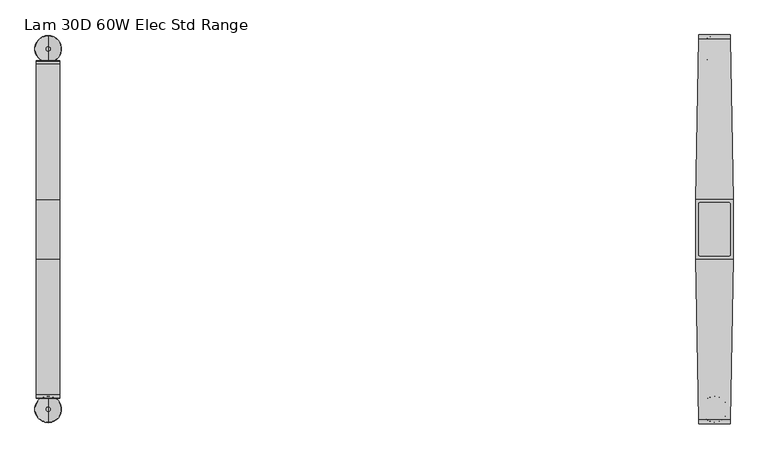
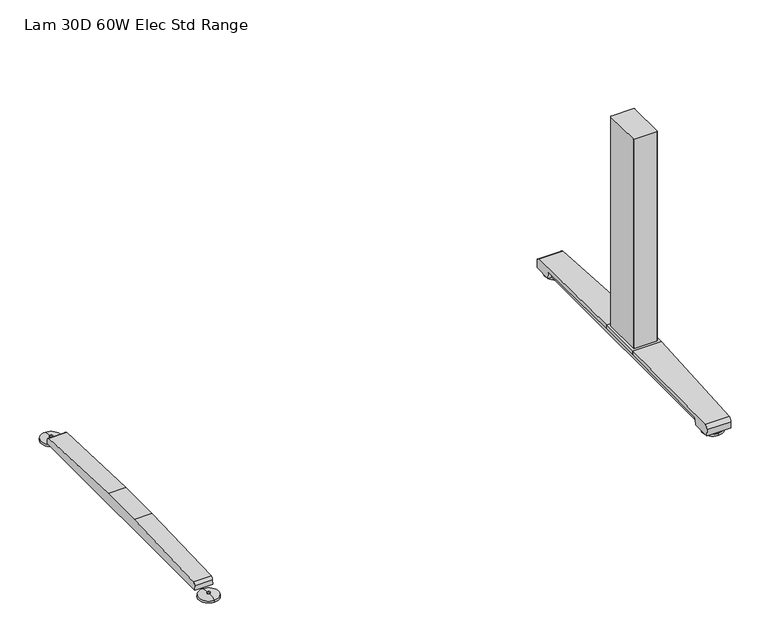
"""IFC4 building model written with IfcOpenShell, lengths in millimetres: furniture geometry, Lam 30D 60W Elec Std Range."""

from ifc_helpers import new_model, si_unit, point, frame, frame_2d, origin, place, context, project, spatial, polyline, circle_curve, ellipse_curve, trimmed, segment, composite_curve, outline, extrude, source, transform, mapped, element, save
from ifc_brep_helpers import plane_surface, cylinder_surface, revolved_surface, advanced_brep


def lam_30d_60w_elec_std_range_70708441(model_context):
    return source(origin(), model_context, "Body", "SolidModel", [
        advanced_brep(
        [(-627.126, 314.8489737, 0.0), (-627.126, 365.038997, 0.0), (-627.126, 339.9439854, 0.0), (-627.126, 314.9336842, 5.0038001), (-627.126, 364.9542866, 5.0038001), (-627.126, 335.9434855, 8.4327997), (-627.126, 343.9444853, 8.4327997), (-627.126, 335.9434855, 10.0423733), (-627.126, 343.9444853, 10.0423733), (-627.126, 339.9439854, 10.0423733)],
        [
            (0, 1, circle_curve(frame((-627.126, 339.9439854, 0.0), z_axis=(0.0, 0.0, -1.0), x_axis=(0.0, 1.0, 0.0)), 25.0950117)),
            (1, 2),
            (2, 0),
            (1, 0, circle_curve(frame((-627.126, 339.9439854, 0.0), z_axis=(0.0, 0.0, -1.0), x_axis=(0.0, 1.0, 0.0)), 25.0950117)),
            (3, 4, circle_curve(frame((-627.126, 339.9439854, 5.0038001), z_axis=(0.0, 0.0, -1.0), x_axis=(0.0, 1.0, 0.0)), 25.0103012)),
            (4, 1),
            (0, 3),
            (4, 3, circle_curve(frame((-627.126, 339.9439854, 5.0038001), z_axis=(0.0, 0.0, -1.0), x_axis=(0.0, 1.0, 0.0)), 25.0103012)),
            (5, 6, circle_curve(frame((-627.126, 339.9439854, 8.4327997), z_axis=(0.0, 0.0, -1.0), x_axis=(0.0, 1.0, 0.0)), 4.0004999)),
            (6, 4, circle_curve(frame((-627.126, 343.9764687, -57.4502444), z_axis=(-1.0, 0.0, 0.0), x_axis=(0.0, 1.0, 0.0)), 65.8830518)),
            (3, 5, circle_curve(frame((-627.126, 335.9115021, -57.4502444), z_axis=(-1.0, 0.0, 0.0), x_axis=(0.0, -1.0, 0.0)), 65.8830518)),
            (6, 5, circle_curve(frame((-627.126, 339.9439854, 8.4327997), z_axis=(0.0, 0.0, -1.0), x_axis=(0.0, 1.0, 0.0)), 4.0004999)),
            (7, 8, circle_curve(frame((-627.126, 339.9439854, 10.0423733), z_axis=(0.0, 0.0, -1.0), x_axis=(0.0, 1.0, 0.0)), 4.0004999)),
            (8, 6),
            (5, 7),
            (8, 7, circle_curve(frame((-627.126, 339.9439854, 10.0423733), z_axis=(0.0, 0.0, -1.0), x_axis=(0.0, 1.0, 0.0)), 4.0004999)),
            (9, 8),
            (7, 9),
        ],
        [
            plane_surface(frame((-627.126, 339.9439854, 0.0), z_axis=(0.0, 0.0, -1.0), x_axis=(0.0, 1.0, 0.0))),
            revolved_surface(polyline([(-627.126, 365.038997, 0.0), (-627.126, 364.9542866, 5.0038001)]), (-627.126, 339.9439854, 0.0), (0.0, 0.0, 1.0)),
            revolved_surface(trimmed(ellipse_curve(frame((-627.126, 343.9764687, -57.4502444), z_axis=(1.0, 0.0, 0.0), x_axis=(0.0, 1.0, 0.0)), 65.8830518, 65.8830518), [point((-627.126, 364.9542866, 5.0038001))], [point((-627.126, 343.9444853, 8.4327997))], True, "CARTESIAN"), (-627.126, 339.9439854, 0.0), (0.0, 0.0, 1.0)),
            cylinder_surface(frame((-627.126, 339.9439854, 0.0), z_axis=(0.0, 0.0, 1.0), x_axis=(0.0, 1.0, 0.0)), 4.0004999),
            plane_surface(frame((-627.126, 339.9439854, 10.0423733), z_axis=(0.0, 0.0, 1.0), x_axis=(0.0, 1.0, 0.0))),
        ],
        [
            (0, [[1, 2, 3]]),
            (0, [[4, -3, -2]]),
            (1, [[5, 6, -1, 7]]),
            (1, [[8, -7, -4, -6]]),
            (2, [[9, 10, -5, 11]]),
            (2, [[12, -11, -8, -10]]),
            (3, [[13, 14, -9, 15]]),
            (3, [[16, -15, -12, -14]]),
            (4, [[17, -13, 18]]),
            (4, [[-18, -16, -17]]),
        ],
    ),
        advanced_brep(
        [(-627.126, -364.1643617, 0.0), (-627.126, -313.9743384, 0.0), (-627.126, -339.06935, 0.0), (-627.126, -364.0796512, 5.0038001), (-627.126, -314.0590489, 5.0038001), (-627.126, -343.0698499, 8.4327997), (-627.126, -335.0688501, 8.4327997), (-627.126, -343.0698499, 10.0423733), (-627.126, -335.0688501, 10.0423733), (-627.126, -339.06935, 10.0423733)],
        [
            (0, 1, circle_curve(frame((-627.126, -339.06935, 0.0), z_axis=(0.0, 0.0, -1.0), x_axis=(0.0, 1.0, 0.0)), 25.0950117)),
            (1, 2),
            (2, 0),
            (1, 0, circle_curve(frame((-627.126, -339.06935, 0.0), z_axis=(0.0, 0.0, -1.0), x_axis=(0.0, 1.0, 0.0)), 25.0950117)),
            (3, 4, circle_curve(frame((-627.126, -339.06935, 5.0038001), z_axis=(0.0, 0.0, -1.0), x_axis=(0.0, 1.0, 0.0)), 25.0103012)),
            (4, 1),
            (0, 3),
            (4, 3, circle_curve(frame((-627.126, -339.06935, 5.0038001), z_axis=(0.0, 0.0, -1.0), x_axis=(0.0, 1.0, 0.0)), 25.0103012)),
            (5, 6, circle_curve(frame((-627.126, -339.06935, 8.4327997), z_axis=(0.0, 0.0, -1.0), x_axis=(0.0, 1.0, 0.0)), 4.0004999)),
            (6, 4, circle_curve(frame((-627.126, -335.0368668, -57.4502444), z_axis=(-1.0, 0.0, 0.0), x_axis=(0.0, 1.0, 0.0)), 65.8830518)),
            (3, 5, circle_curve(frame((-627.126, -343.1018333, -57.4502444), z_axis=(-1.0, 0.0, 0.0), x_axis=(0.0, -1.0, 0.0)), 65.8830518)),
            (6, 5, circle_curve(frame((-627.126, -339.06935, 8.4327997), z_axis=(0.0, 0.0, -1.0), x_axis=(0.0, 1.0, 0.0)), 4.0004999)),
            (7, 8, circle_curve(frame((-627.126, -339.06935, 10.0423733), z_axis=(0.0, 0.0, -1.0), x_axis=(0.0, 1.0, 0.0)), 4.0004999)),
            (8, 6),
            (5, 7),
            (8, 7, circle_curve(frame((-627.126, -339.06935, 10.0423733), z_axis=(0.0, 0.0, -1.0), x_axis=(0.0, 1.0, 0.0)), 4.0004999)),
            (9, 8),
            (7, 9),
        ],
        [
            plane_surface(frame((-627.126, -339.06935, 0.0), z_axis=(0.0, 0.0, -1.0), x_axis=(0.0, 1.0, 0.0))),
            revolved_surface(polyline([(-627.126, -313.9743384, 0.0), (-627.126, -314.0590489, 5.0038001)]), (-627.126, -339.06935, 0.0), (0.0, 0.0, 1.0)),
            revolved_surface(trimmed(ellipse_curve(frame((-627.126, -335.0368668, -57.4502444), z_axis=(1.0, 0.0, 0.0), x_axis=(0.0, 1.0, 0.0)), 65.8830518, 65.8830518), [point((-627.126, -314.0590489, 5.0038001))], [point((-627.126, -335.0688501, 8.4327997))], True, "CARTESIAN"), (-627.126, -339.06935, 0.0), (0.0, 0.0, 1.0)),
            cylinder_surface(frame((-627.126, -339.06935, 0.0), z_axis=(0.0, 0.0, 1.0), x_axis=(0.0, 1.0, 0.0)), 4.0004999),
            plane_surface(frame((-627.126, -339.06935, 10.0423733), z_axis=(0.0, 0.0, 1.0), x_axis=(0.0, 1.0, 0.0))),
        ],
        [
            (0, [[1, 2, 3]]),
            (0, [[4, -3, -2]]),
            (1, [[5, 6, -1, 7]]),
            (1, [[8, -7, -4, -6]]),
            (2, [[9, 10, -5, 11]]),
            (2, [[12, -11, -8, -10]]),
            (3, [[13, 14, -9, 15]]),
            (3, [[16, -15, -12, -14]]),
            (4, [[17, -13, 18]]),
            (4, [[-18, -16, -17]]),
        ],
    ),
        extrude(outline(composite_curve([segment(polyline([(317.3152602, 22.833301), (318.3038309, 11.5339019), (-318.3038309, 11.5339019), (-317.3152602, 22.833301)]), True, "CONTINUOUS"), segment(trimmed(circle_curve(frame_2d((-310.4929906, 22.2364289)), 6.8483297), [point((-317.3152602, 22.833301))], [point((-311.3603185, 29.0296138))], False, "CARTESIAN"), True, "CONTINUOUS"), segment(polyline([(-311.3603185, 29.0296138), (-56.1182127, 38.9541198), (56.1182127, 38.9541198), (311.3603185, 29.0296138)]), True, "CONTINUOUS"), segment(trimmed(circle_curve(frame_2d((310.4929906, 22.2364289)), 6.8483297), [point((311.3603185, 29.0296138))], [point((317.3152602, 22.833301))], False, "CARTESIAN"), True, "CONTINUOUS")], self_intersect=False)), frame((-649.1224, 0.0, 0.0), z_axis=(1.0, 0.0, 0.0), x_axis=(0.0, 1.0, 0.0)), (0.0, 0.0, 1.0), 43.9928),
        extrude(outline(composite_curve([segment(trimmed(circle_curve(frame_2d((654.7021079, 47.6421079)), 2.3323921), [point((654.7021079, 49.9745))], [point((657.0345, 47.6421079))], False, "CARTESIAN"), True, "CONTINUOUS"), segment(polyline([(657.0345, 47.6421079), (657.0345, -47.6421079)]), True, "CONTINUOUS"), segment(trimmed(circle_curve(frame_2d((654.7021079, -47.6421079)), 2.3323921), [point((657.0345, -47.6421079))], [point((654.7021079, -49.9745))], False, "CARTESIAN"), True, "CONTINUOUS"), segment(polyline([(654.7021079, -49.9745), (599.5498921, -49.9745)]), True, "CONTINUOUS"), segment(trimmed(circle_curve(frame_2d((599.5498921, -47.6421079)), 2.3323921), [point((599.5498921, -49.9745))], [point((597.2175, -47.6421079))], False, "CARTESIAN"), True, "CONTINUOUS"), segment(polyline([(597.2175, -47.6421079), (597.2175, 47.6421079)]), True, "CONTINUOUS"), segment(trimmed(circle_curve(frame_2d((599.5498921, 47.6421079)), 2.3323921), [point((597.2175, 47.6421079))], [point((599.5498921, 49.9745))], False, "CARTESIAN"), True, "CONTINUOUS"), segment(polyline([(599.5498921, 49.9745), (654.7021079, 49.9745)]), True, "CONTINUOUS")], self_intersect=False)), frame((0.0, 0.0, 48.10013), z_axis=(0.0, 0.0, 1.0), x_axis=(1.0, 0.0, 0.0)), (0.0, 0.0, 1.0), 550.9989485),
        advanced_brep(
        [(627.126, 314.8489737, 0.0), (627.126, 365.038997, 0.0), (627.126, 339.9439854, 0.0), (627.126, 314.9336842, 5.0038001), (627.126, 364.9542866, 5.0038001), (627.126, 335.9434855, 8.4327997), (627.126, 343.9444853, 8.4327997), (627.126, 335.9434855, 10.0423733), (627.126, 343.9444853, 10.0423733), (627.126, 339.9439854, 10.0423733)],
        [
            (0, 1, circle_curve(frame((627.126, 339.9439854, 0.0), z_axis=(0.0, 0.0, -1.0), x_axis=(0.0, 1.0, 0.0)), 25.0950117)),
            (1, 2),
            (2, 0),
            (1, 0, circle_curve(frame((627.126, 339.9439854, 0.0), z_axis=(0.0, 0.0, -1.0), x_axis=(0.0, 1.0, 0.0)), 25.0950117)),
            (3, 4, circle_curve(frame((627.126, 339.9439854, 5.0038001), z_axis=(0.0, 0.0, -1.0), x_axis=(0.0, 1.0, 0.0)), 25.0103012)),
            (4, 1),
            (0, 3),
            (4, 3, circle_curve(frame((627.126, 339.9439854, 5.0038001), z_axis=(0.0, 0.0, -1.0), x_axis=(0.0, 1.0, 0.0)), 25.0103012)),
            (5, 6, circle_curve(frame((627.126, 339.9439854, 8.4327997), z_axis=(0.0, 0.0, -1.0), x_axis=(0.0, 1.0, 0.0)), 4.0004999)),
            (6, 4, circle_curve(frame((627.126, 343.9764687, -57.4502444), z_axis=(-1.0, 0.0, 0.0), x_axis=(0.0, 1.0, 0.0)), 65.8830518)),
            (3, 5, circle_curve(frame((627.126, 335.9115021, -57.4502444), z_axis=(-1.0, 0.0, 0.0), x_axis=(0.0, -1.0, 0.0)), 65.8830518)),
            (6, 5, circle_curve(frame((627.126, 339.9439854, 8.4327997), z_axis=(0.0, 0.0, -1.0), x_axis=(0.0, 1.0, 0.0)), 4.0004999)),
            (7, 8, circle_curve(frame((627.126, 339.9439854, 10.0423733), z_axis=(0.0, 0.0, -1.0), x_axis=(0.0, 1.0, 0.0)), 4.0004999)),
            (8, 6),
            (5, 7),
            (8, 7, circle_curve(frame((627.126, 339.9439854, 10.0423733), z_axis=(0.0, 0.0, -1.0), x_axis=(0.0, 1.0, 0.0)), 4.0004999)),
            (9, 8),
            (7, 9),
        ],
        [
            plane_surface(frame((627.126, 339.9439854, 0.0), z_axis=(0.0, 0.0, -1.0), x_axis=(0.0, 1.0, 0.0))),
            revolved_surface(polyline([(627.126, 365.038997, 0.0), (627.126, 364.9542866, 5.0038001)]), (627.126, 339.9439854, 0.0), (0.0, 0.0, 1.0)),
            revolved_surface(trimmed(ellipse_curve(frame((627.126, 343.9764687, -57.4502444), z_axis=(1.0, 0.0, 0.0), x_axis=(0.0, 1.0, 0.0)), 65.8830518, 65.8830518), [point((627.126, 364.9542866, 5.0038001))], [point((627.126, 343.9444853, 8.4327997))], True, "CARTESIAN"), (627.126, 339.9439854, 0.0), (0.0, 0.0, 1.0)),
            cylinder_surface(frame((627.126, 339.9439854, 0.0), z_axis=(0.0, 0.0, 1.0), x_axis=(0.0, 1.0, 0.0)), 4.0004999),
            plane_surface(frame((627.126, 339.9439854, 10.0423733), z_axis=(0.0, 0.0, 1.0), x_axis=(0.0, 1.0, 0.0))),
        ],
        [
            (0, [[1, 2, 3]]),
            (0, [[4, -3, -2]]),
            (1, [[5, 6, -1, 7]]),
            (1, [[8, -7, -4, -6]]),
            (2, [[9, 10, -5, 11]]),
            (2, [[12, -11, -8, -10]]),
            (3, [[13, 14, -9, 15]]),
            (3, [[16, -15, -12, -14]]),
            (4, [[17, -13, 18]]),
            (4, [[-18, -16, -17]]),
        ],
    ),
        advanced_brep(
        [(627.126, -364.1643617, 0.0), (627.126, -313.9743384, 0.0), (627.126, -339.06935, 0.0), (627.126, -364.0796512, 5.0038001), (627.126, -314.0590489, 5.0038001), (627.126, -343.0698499, 8.4327997), (627.126, -335.0688501, 8.4327997), (627.126, -343.0698499, 10.0423733), (627.126, -335.0688501, 10.0423733), (627.126, -339.06935, 10.0423733)],
        [
            (0, 1, circle_curve(frame((627.126, -339.06935, 0.0), z_axis=(0.0, 0.0, -1.0), x_axis=(0.0, 1.0, 0.0)), 25.0950117)),
            (1, 2),
            (2, 0),
            (1, 0, circle_curve(frame((627.126, -339.06935, 0.0), z_axis=(0.0, 0.0, -1.0), x_axis=(0.0, 1.0, 0.0)), 25.0950117)),
            (3, 4, circle_curve(frame((627.126, -339.06935, 5.0038001), z_axis=(0.0, 0.0, -1.0), x_axis=(0.0, 1.0, 0.0)), 25.0103012)),
            (4, 1),
            (0, 3),
            (4, 3, circle_curve(frame((627.126, -339.06935, 5.0038001), z_axis=(0.0, 0.0, -1.0), x_axis=(0.0, 1.0, 0.0)), 25.0103012)),
            (5, 6, circle_curve(frame((627.126, -339.06935, 8.4327997), z_axis=(0.0, 0.0, -1.0), x_axis=(0.0, 1.0, 0.0)), 4.0004999)),
            (6, 4, circle_curve(frame((627.126, -335.0368668, -57.4502444), z_axis=(-1.0, 0.0, 0.0), x_axis=(0.0, 1.0, 0.0)), 65.8830518)),
            (3, 5, circle_curve(frame((627.126, -343.1018333, -57.4502444), z_axis=(-1.0, 0.0, 0.0), x_axis=(0.0, -1.0, 0.0)), 65.8830518)),
            (6, 5, circle_curve(frame((627.126, -339.06935, 8.4327997), z_axis=(0.0, 0.0, -1.0), x_axis=(0.0, 1.0, 0.0)), 4.0004999)),
            (7, 8, circle_curve(frame((627.126, -339.06935, 10.0423733), z_axis=(0.0, 0.0, -1.0), x_axis=(0.0, 1.0, 0.0)), 4.0004999)),
            (8, 6),
            (5, 7),
            (8, 7, circle_curve(frame((627.126, -339.06935, 10.0423733), z_axis=(0.0, 0.0, -1.0), x_axis=(0.0, 1.0, 0.0)), 4.0004999)),
            (9, 8),
            (7, 9),
        ],
        [
            plane_surface(frame((627.126, -339.06935, 0.0), z_axis=(0.0, 0.0, -1.0), x_axis=(0.0, 1.0, 0.0))),
            revolved_surface(polyline([(627.126, -313.9743384, 0.0), (627.126, -314.0590489, 5.0038001)]), (627.126, -339.06935, 0.0), (0.0, 0.0, 1.0)),
            revolved_surface(trimmed(ellipse_curve(frame((627.126, -335.0368668, -57.4502444), z_axis=(1.0, 0.0, 0.0), x_axis=(0.0, 1.0, 0.0)), 65.8830518, 65.8830518), [point((627.126, -314.0590489, 5.0038001))], [point((627.126, -335.0688501, 8.4327997))], True, "CARTESIAN"), (627.126, -339.06935, 0.0), (0.0, 0.0, 1.0)),
            cylinder_surface(frame((627.126, -339.06935, 0.0), z_axis=(0.0, 0.0, 1.0), x_axis=(0.0, 1.0, 0.0)), 4.0004999),
            plane_surface(frame((627.126, -339.06935, 10.0423733), z_axis=(0.0, 0.0, 1.0), x_axis=(0.0, 1.0, 0.0))),
        ],
        [
            (0, [[1, 2, 3]]),
            (0, [[4, -3, -2]]),
            (1, [[5, 6, -1, 7]]),
            (1, [[8, -7, -4, -6]]),
            (2, [[9, 10, -5, 11]]),
            (2, [[12, -11, -8, -10]]),
            (3, [[13, 14, -9, 15]]),
            (3, [[16, -15, -12, -14]]),
            (4, [[17, -13, 18]]),
            (4, [[-18, -16, -17]]),
        ],
    ),
        extrude(outline(polyline([(662.2568382, 56.1182127), (662.2568382, -56.1182127), (591.9951618, -56.1182127), (591.9951618, 56.1182127), (662.2568382, 56.1182127)])), frame((0.0, 0.0, 38.9541198), z_axis=(0.0, 0.0, 1.0), x_axis=(1.0, 0.0, 0.0)), (0.0, 0.0, 1.0), 9.1460102),
        advanced_brep(
        [(656.8005896, 366.395, 26.8186), (656.9322575, 358.907527, 35.7787117), (662.2568382, 56.1182127, 48.10013), (662.2568382, 56.1182127, 38.9541198), (657.76838, 311.3603185, 29.0296138), (657.6636618, 317.3152602, 22.833301), (657.6439845, 318.4342309, 10.0434261), (656.8260047, 364.9497362, 10.041053), (597.3201004, 358.907527, 35.7787117), (597.4517683, 366.395, 26.8186), (597.4263532, 364.9497362, 10.041053), (596.6083734, 318.4342309, 10.0434261), (596.5886962, 317.3152602, 22.833301), (596.4839779, 311.3603185, 29.0296138), (591.9955196, 56.1182064, 38.9541201), (591.9955197, 56.1182127, 48.10013)],
        [
            (0, 1, ellipse_curve(frame((656.945738, 358.1409412, 27.5296273), z_axis=(0.9998454179622458, 0.017582382657143153, 0.0), x_axis=(0.01758238265713103, -0.9998454179622459, 0.0)), 8.285908, 8.2846272)),
            (1, 2, ellipse_curve(frame((687.1788072, -1361.1024809, -38505.5680807), z_axis=(0.9998454179622458, 0.017582382657143153, 0.0), x_axis=(0.01758238265713103, -0.9998454179622459, 0.0)), 38585.6723619, 38579.7077101)),
            (2, 3),
            (3, 4),
            (4, 5, ellipse_curve(frame((657.7836321, 310.4929906, 22.2364289), z_axis=(-0.9998454179622458, -0.017582382657143153, 0.0), x_axis=(-0.01758238265713103, 0.9998454179622459, 0.0)), 6.8493884, 6.8483297)),
            (5, 6),
            (6, 7),
            (7, 0),
            (8, 9, ellipse_curve(frame((597.3066199, 358.1409412, 27.5296273), z_axis=(-0.9998454179622485, 0.017582382656985807, 0.0), x_axis=(0.01758238265698848, 0.9998454179622485, 0.0)), 8.285908, 8.2846272)),
            (9, 10),
            (10, 11),
            (11, 12),
            (12, 13, ellipse_curve(frame((596.4687259, 310.4929906, 22.2364289), z_axis=(0.9998454179622485, -0.017582382656985807, 0.0), x_axis=(-0.01758238265698848, -0.9998454179622485, 0.0)), 6.8493884, 6.8483297)),
            (13, 14),
            (14, 15),
            (15, 8, ellipse_curve(frame((567.0735507, -1361.1024809, -38505.5680807), z_axis=(-0.9998454179622485, 0.017582382656985807, 0.0), x_axis=(0.01758238265698848, 0.9998454179622485, 0.0)), 38585.6723619, 38579.7077101)),
            (0, 9),
            (8, 1),
            (7, 10),
            (6, 11),
            (5, 12),
            (4, 13),
            (3, 14),
            (2, 15),
        ],
        [
            plane_surface(frame((656.7726732, 367.9825, 48.10013), z_axis=(0.9998454179622458, 0.017582382657143153, 0.0), x_axis=(0.0, 0.0, -1.0))),
            plane_surface(frame((591.9955197, 56.1182127, 48.10013), z_axis=(-0.9998454179622485, 0.017582382656985807, 0.0), x_axis=(0.0, 0.0, -1.0))),
            cylinder_surface(frame((591.9951618, 358.1409412, 27.5296273), z_axis=(1.0, 0.0, 0.0), x_axis=(0.0, 1.0, 0.0)), 8.2846272),
            plane_surface(frame((662.2568382, 364.9497362, 10.041053), z_axis=(0.0, 0.996310236870306, -0.08582489095498451), x_axis=(-1.0, 0.0, 0.0))),
            plane_surface(frame((662.2568382, 318.4342309, 10.0434261), z_axis=(0.0, -5.1017984192717934e-05, -0.9999999986985827), x_axis=(-1.0, 0.0, 0.0))),
            plane_surface(frame((662.2568382, 317.3152602, 22.833301), z_axis=(0.0, -0.9961946873837872, -0.08715586514009506), x_axis=(-1.0, 0.0, 0.0))),
            revolved_surface(polyline([(596.3482973321849, 317.3413203, 22.2364289), (657.9040606678161, 317.3413203, 22.2364289)]), (591.9951618, 310.4929906, 22.2364289), (-1.0, 0.0, 0.0)),
            plane_surface(frame((662.2568382, 56.1182127, 38.9541198), z_axis=(0.0, -0.03885335543744915, -0.9992449233152257), x_axis=(-1.0, 0.0, 0.0))),
            plane_surface(frame((662.2568382, 56.1182127, 48.10013), z_axis=(0.0, -1.0, 0.0), x_axis=(-1.0, 0.0, 0.0))),
            cylinder_surface(frame((591.9951618, -1361.1024809, -38505.5680807), z_axis=(1.0, 0.0, 0.0), x_axis=(0.0, 1.0, 0.0)), 38579.7077101),
        ],
        [
            (0, [[1, 2, 3, 4, 5, 6, 7, 8]]),
            (1, [[9, 10, 11, 12, 13, 14, 15, 16]]),
            (2, [[17, -9, 18, -1]]),
            (3, [[-17, -8, 19, -10]]),
            (4, [[-19, -7, 20, -11]]),
            (5, [[-20, -6, 21, -12]]),
            (6, [[-21, -5, 22, -13]]),
            (7, [[23, -14, -22, -4]]),
            (8, [[-23, -3, 24, -15]]),
            (9, [[-24, -2, -18, -16]]),
        ],
    ),
        extrude(outline(composite_curve([segment(polyline([(317.3152602, 22.833301), (318.3038309, 11.5339019), (-318.3038309, 11.5339019), (-317.3152602, 22.833301)]), True, "CONTINUOUS"), segment(trimmed(circle_curve(frame_2d((-310.4929906, 22.2364289)), 6.8483297), [point((-317.3152602, 22.833301))], [point((-311.3603185, 29.0296138))], False, "CARTESIAN"), True, "CONTINUOUS"), segment(polyline([(-311.3603185, 29.0296138), (-56.1182127, 38.9541198), (56.1182127, 38.9541198), (311.3603185, 29.0296138)]), True, "CONTINUOUS"), segment(trimmed(circle_curve(frame_2d((310.4929906, 22.2364289)), 6.8483297), [point((311.3603185, 29.0296138))], [point((317.3152602, 22.833301))], False, "CARTESIAN"), True, "CONTINUOUS")], self_intersect=False)), frame((605.1296, 0.0, 0.0), z_axis=(1.0, 0.0, 0.0), x_axis=(0.0, 1.0, 0.0)), (0.0, 0.0, 1.0), 43.9928),
        advanced_brep(
        [(656.9322575, -358.907527, 35.7787117), (597.3201004, -358.907527, 35.7787117), (597.4517683, -366.395, 26.8186), (656.8005896, -366.395, 26.8186), (597.4263532, -364.9497362, 10.041053), (656.8260047, -364.9497362, 10.041053), (596.6083734, -318.4342309, 10.0434261), (657.6439845, -318.4342309, 10.0434261), (596.5886962, -317.3152602, 22.833301), (657.6636618, -317.3152602, 22.833301), (596.4839779, -311.3603185, 29.0296138), (657.76838, -311.3603185, 29.0296138), (591.9951618, -56.1182127, 38.9541198), (662.2568382, -56.1182127, 38.9541198), (591.9955197, -56.1182127, 48.10013), (662.2568382, -56.1182127, 48.10013)],
        [
            (0, 1),
            (1, 2, ellipse_curve(frame((597.3066199, -358.1409412, 27.5296273), z_axis=(0.9998454179622468, 0.01758238265708674, 0.0), x_axis=(0.017582382657073785, -0.999845417962247, 0.0)), 8.285908, 8.2846272)),
            (2, 3),
            (3, 0, ellipse_curve(frame((656.945738, -358.1409412, 27.5296273), z_axis=(-0.9998454179622461, 0.01758238265712448, 0.0), x_axis=(0.017582382657115012, 0.9998454179622461, 0.0)), 8.285908, 8.2846272)),
            (2, 4),
            (4, 5),
            (5, 3),
            (4, 6),
            (6, 7),
            (7, 5),
            (6, 8),
            (8, 9),
            (9, 7),
            (8, 10, ellipse_curve(frame((596.4687259, -310.4929906, 22.2364289), z_axis=(-0.9998454179622468, -0.01758238265708674, 0.0), x_axis=(-0.017582382657073785, 0.999845417962247, 0.0)), 6.8493884, 6.8483297)),
            (10, 11),
            (11, 9, ellipse_curve(frame((657.7836321, -310.4929906, 22.2364289), z_axis=(0.9998454179622461, -0.01758238265712448, 0.0), x_axis=(-0.017582382657115012, -0.9998454179622461, 0.0)), 6.8493884, 6.8483297)),
            (12, 13),
            (13, 11),
            (10, 12),
            (12, 14),
            (14, 15),
            (15, 13),
            (15, 0, ellipse_curve(frame((687.1788072, 1361.1024809, -38505.568082), z_axis=(0.9998454179622461, -0.01758238265712448, 0.0), x_axis=(0.017582382657115012, 0.9998454179622461, 0.0)), 38585.6723633, 38579.7077114)),
            (1, 14, ellipse_curve(frame((567.0735507, 1361.1024809, -38505.568082), z_axis=(-0.9998454179622468, -0.01758238265708674, 0.0), x_axis=(0.017582382657073785, -0.999845417962247, 0.0)), 38585.6723633, 38579.7077114)),
        ],
        [
            cylinder_surface(frame((591.9951618, -358.1409412, 27.5296273), z_axis=(1.0, 0.0, 0.0), x_axis=(0.0, 1.0, 0.0)), 8.2846272),
            plane_surface(frame((662.2568382, -366.395, 26.8186), z_axis=(0.0, -0.9963102368705579, -0.08582489095206026), x_axis=(-1.0, 0.0, 0.0))),
            plane_surface(frame((662.2568382, -364.9497362, 10.041053), z_axis=(0.0, 5.1017983912819325e-05, -0.9999999986985827), x_axis=(-1.0, 0.0, 0.0))),
            plane_surface(frame((662.2568382, -318.4342309, 10.0434261), z_axis=(0.0, 0.9961946873837977, -0.08715586513997582), x_axis=(-1.0, 0.0, 0.0))),
            revolved_surface(polyline([(596.3482973321843, -303.64466089999996, 22.2364289), (657.904060667816, -303.64466089999996, 22.2364289)]), (591.9951618, -310.4929906, 22.2364289), (-1.0, 0.0, 0.0)),
            plane_surface(frame((662.2568382, -311.3603185, 29.0296138), z_axis=(0.0, 0.03885335543746911, -0.999244923315225), x_axis=(-1.0, 0.0, 0.0))),
            plane_surface(frame((662.2568382, -56.1182127, 38.9541198), z_axis=(0.0, 1.0, 0.0), x_axis=(-1.0, 0.0, 0.0))),
            plane_surface(frame((662.2568382, -56.1182127, 48.10013), z_axis=(0.9998454179622461, -0.01758238265712448, 0.0), x_axis=(0.0, 0.0, -1.0))),
            plane_surface(frame((597.4796847, -367.9825, 48.10013), z_axis=(-0.9998454179622468, -0.01758238265708674, 0.0), x_axis=(0.0, 0.0, -1.0))),
            cylinder_surface(frame((591.9951618, 1361.1024809, -38505.568082), z_axis=(1.0, 0.0, 0.0), x_axis=(0.0, 1.0, 0.0)), 38579.7077114),
        ],
        [
            (0, [[1, 2, 3, 4]]),
            (1, [[-3, 5, 6, 7]]),
            (2, [[-6, 8, 9, 10]]),
            (3, [[-9, 11, 12, 13]]),
            (4, [[-12, 14, 15, 16]]),
            (5, [[17, 18, -15, 19]]),
            (6, [[-17, 20, 21, 22]]),
            (7, [[-4, -7, -10, -13, -16, -18, -22, 23]]),
            (8, [[-2, 24, -20, -19, -14, -11, -8, -5]]),
            (9, [[-21, -24, -1, -23]]),
        ],
    ),
    ])


if __name__ == "__main__":
    model = new_model("IFC4")
    model_context = context("Model", 3, world=origin())
    ifc_project = project(units=[si_unit("LENGTHUNIT", "METRE", prefix="MILLI")], contexts=[model_context])
    site = spatial("IfcSite", under=ifc_project)
    building = spatial("IfcBuilding", under=site)
    placement = place(None, origin())
    lam_30d_60w_elec_std_range_shape = lam_30d_60w_elec_std_range_70708441(model_context)
    element("IfcFurniture", 1, ObjectType="Lam 30D 60W Elec Std Range", at=placement, inside=building, context=model_context, shape_type="MappedRepresentation", body=[
        mapped(lam_30d_60w_elec_std_range_shape, transform((0.0, 0.0, 0.0), x_axis=(1.0, 0.0, 0.0), y_axis=(0.0, 1.0, 0.0), z_axis=(0.0, 0.0, 1.0))),
    ])
    save(model, "model.ifc")
